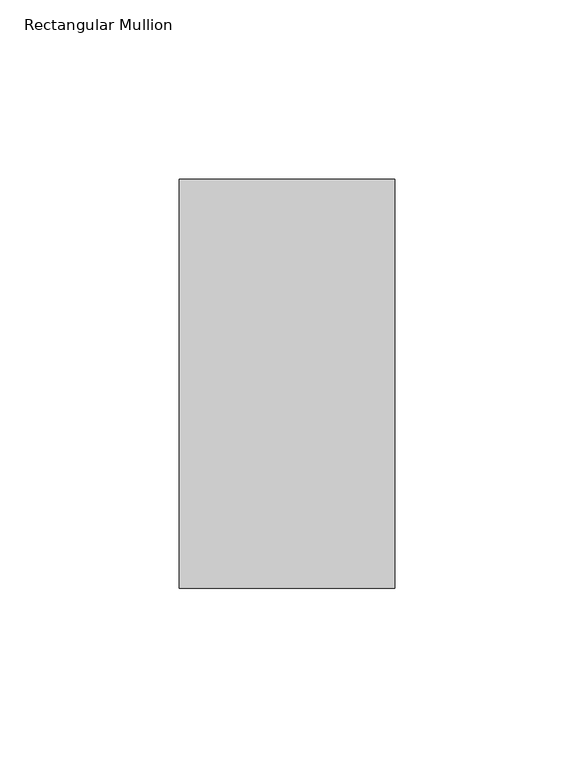
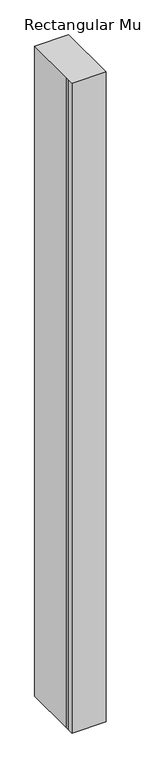
"""IFC4 building model written with IfcOpenShell, lengths in millimetres: member geometry, Rectangular Mullion."""

from ifc_helpers import new_model, si_unit, frame, origin, place, context, project, spatial, polyline, outline, extrude, source, transform, mapped, element, save


def rectangular_mullion_bfdf70d4(model_context):
    return source(origin(), model_context, "Body", "SweptSolid", [
        extrude(outline(polyline([(-60.325, 99.21875), (0.0, 99.21875), (0.0, -15.08125), (-60.325, -15.08125), (-60.325, -3.175), (-60.325, 3.175), (-60.325, 99.21875)])), frame((0.0, 0.0, -1219.2), z_axis=(0.0, 0.0, 1.0), x_axis=(1.0, 0.0, 0.0)), (0.0, 0.0, 1.0), 1219.2),
    ])


if __name__ == "__main__":
    model = new_model("IFC4")
    model_context = context("Model", 3, world=origin())
    ifc_project = project(units=[si_unit("LENGTHUNIT", "METRE", prefix="MILLI")], contexts=[model_context])
    site = spatial("IfcSite", under=ifc_project)
    building = spatial("IfcBuilding", under=site)
    placement = place(None, origin())
    rectangular_mullion_shape = rectangular_mullion_bfdf70d4(model_context)
    element("IfcMember", 1, ObjectType="Rectangular Mullion", at=placement, inside=building, context=model_context, shape_type="MappedRepresentation", body=[
        mapped(rectangular_mullion_shape, transform((0.0, 0.0, 0.0), x_axis=(1.0, 0.0, 0.0), y_axis=(0.0, 1.0, 0.0), z_axis=(0.0, 0.0, 1.0))),
    ])
    save(model, "model.ifc")
